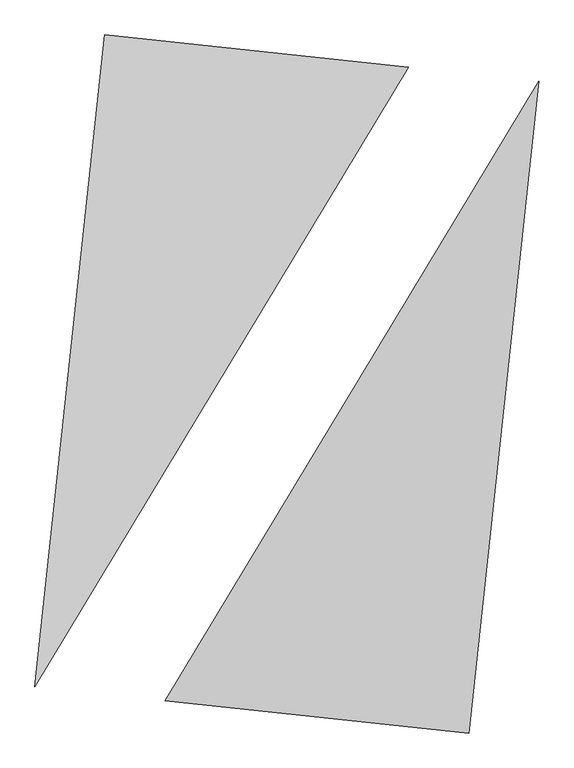
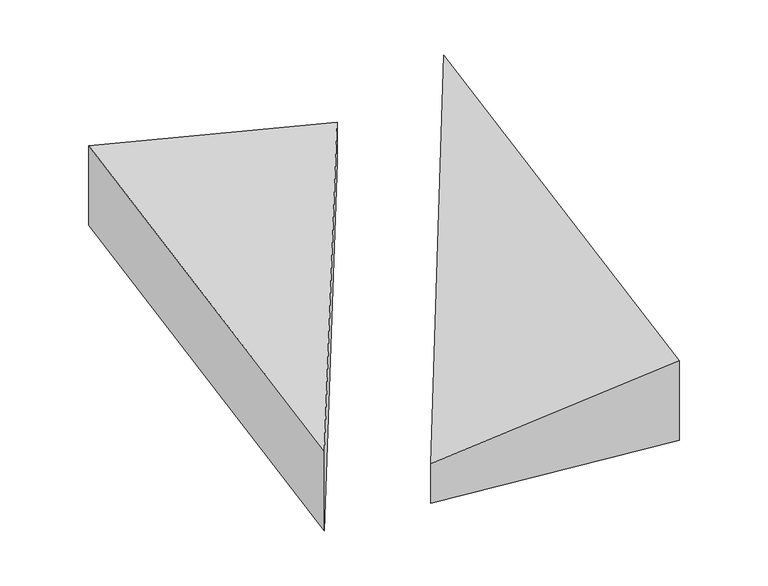
"""IFC4 building model written with IfcOpenShell, lengths in millimetres: proxy geometry."""

from ifc_helpers import new_model, si_unit, origin, place, context, project, spatial, faceted_brep, source, transform, mapped, element, save


def generic_models_b7ba8aa5(model_context):
    return source(origin(), model_context, "Body", "Brep", [
        faceted_brep([(1115.046694, 2897.7009629, 0.0), (-1669.0189369, 3195.993709, 0.0), (-1669.0189369, 3195.993709, 1000.0), (1115.046694, 2897.7009629, 500.0), (-2308.2176787, -2769.8612145, 0.0), (-2308.2176787, -2769.8612145, 1000.0)], [[[0, 1, 2, 3]], [[1, 4, 5, 2]], [[4, 0, 3, 5]], [[3, 2, 5]], [[0, 4, 1]]]),
        faceted_brep([(1669.0189369, -3195.993709, 0.0), (2308.2176787, 2769.8612145, 0.0), (2308.2176787, 2769.8612145, 1000.0), (1669.0189369, -3195.993709, 1000.0), (-1115.046694, -2897.7009629, 0.0), (-1115.046694, -2897.7009629, 500.0)], [[[0, 1, 2, 3]], [[1, 4, 5, 2]], [[4, 0, 3, 5]], [[2, 5, 3]], [[0, 4, 1]]]),
    ])


if __name__ == "__main__":
    model = new_model("IFC4")
    model_context = context("Model", 3, world=origin())
    ifc_project = project(units=[si_unit("LENGTHUNIT", "METRE", prefix="MILLI")], contexts=[model_context])
    site = spatial("IfcSite", under=ifc_project)
    building = spatial("IfcBuilding", under=site)
    placement = place(None, origin())
    generic_models_shape = generic_models_b7ba8aa5(model_context)
    element("IfcBuildingElementProxy", 1, Name="Generic Models", at=placement, inside=building, context=model_context, shape_type="MappedRepresentation", body=[
        mapped(generic_models_shape, transform((0.0, 0.0, 0.0), x_axis=(1.0, 0.0, 0.0), y_axis=(0.0, 1.0, 0.0), z_axis=(0.0, 0.0, 1.0))),
    ])
    save(model, "model.ifc")
